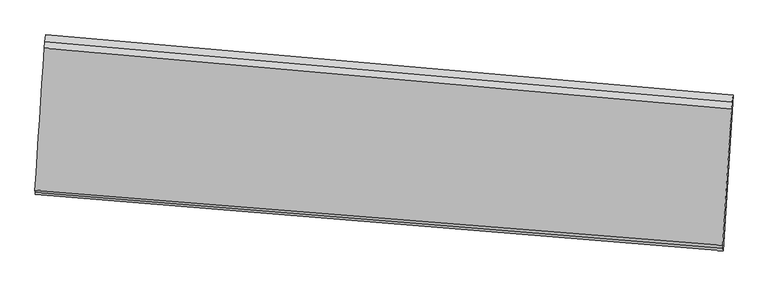
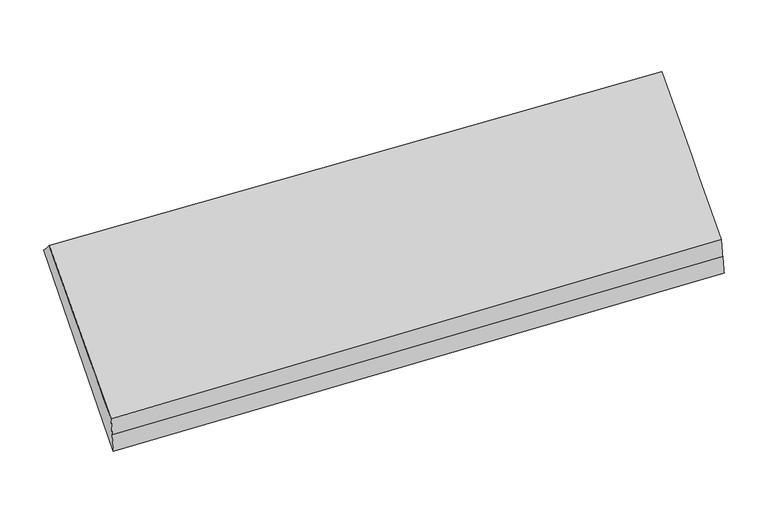
"""IFC4 building model written with IfcOpenShell, lengths in millimetres: proxy geometry."""

from ifc_helpers import new_model, si_unit, frame, origin, place, context, project, spatial, source, transform, mapped, element, save
from ifc_brep_helpers import plane_surface, spline_surface, advanced_brep


def generic_models_1dee735a(model_context):
    return source(origin(), model_context, "Body", "AdvancedBrep", [
        advanced_brep(
        [(-5188.8935418, -739.7581816, 2305.348825), (-5193.7698326, -785.4495582, 2354.1183382), (-462.508957, -1203.3708405, 2443.5528447), (-457.2258446, -1153.8675014, 2390.7145648), (-5259.0257596, -1837.9481643, 1269.45993), (-525.8346904, -2228.2032296, 1377.3266558), (-5260.6712037, -1824.2865534, 1400.4635186), (-527.1270607, -2209.7741181, 1510.5467757), (-5262.3166479, -1810.6249425, 1531.4671072), (-528.419431, -2191.3450066, 1643.7668956), (-5198.6461235, -831.1409347, 2402.8878514), (-467.7920694, -1252.8741795, 2496.3911246)],
        [
            (0, 1),
            (1, 2),
            (2, 3),
            (3, 0),
            (4, 0),
            (3, 5),
            (5, 4),
            (6, 4),
            (5, 7),
            (7, 6),
            (8, 6),
            (7, 9),
            (9, 8),
            (10, 8),
            (9, 11),
            (11, 10),
            (1, 10),
            (11, 2),
        ],
        [
            plane_surface(frame((-5191.3316872, -762.6038699, 2329.7335816), z_axis=(0.05119223174328781, 0.7262456811904102, 0.6855264881544834), x_axis=(-0.07277279664165565, -0.6818890345958571, 0.7278265346680364))),
            plane_surface(frame((-5223.9596507, -1288.8531729, 1787.4043775), z_axis=(0.07280873503206949, 0.6818860164270887, -0.7278257680957896), x_axis=(0.046405450543272386, 0.7266560582396847, 0.6854323505521459))),
            spline_surface(1, 1, [[(-5260.6712037, -1824.2865534, 1400.4635186), (-527.1270607, -2209.7741181, 1510.5467757)], [(-5259.0257596, -1837.9481643, 1269.45993), (-525.8346904, -2228.2032296, 1377.3266558)]], [2, 2], [2, 2], [0.0, 1.0], [0.0, 1.0]),
            spline_surface(1, 1, [[(-5262.3166479, -1810.6249425, 1531.4671072), (-528.419431, -2191.3450066, 1643.7668956)], [(-5260.6712037, -1824.2865534, 1400.4635186), (-527.1270607, -2209.7741181, 1510.5467757)]], [2, 2], [2, 2], [0.0, 1.0], [0.0, 1.0]),
            spline_surface(1, 1, [[(-5198.6461235, -831.1409347, 2402.8878514), (-467.7920694, -1252.8741795, 2496.3911246)], [(-5262.3166479, -1810.6249425, 1531.4671072), (-528.419431, -2191.3450066, 1643.7668956)]], [2, 2], [2, 2], [0.0, 1.0], [0.0, 1.0]),
            plane_surface(frame((-5196.207978, -808.2952464, 2378.5030948), z_axis=(0.05119223174328749, 0.7262456811904068, 0.685526488154487), x_axis=(-0.07277279664165605, -0.6818890345958608, 0.7278265346680329))),
            plane_surface(frame((-494.8180089, -1706.5724793, 1977.0498102), z_axis=(0.9962683645628964, -0.08365594731696403, 0.021237425683767762), x_axis=(0.009609058745746111, -0.13702451862914092, -0.9905210483803326))),
            plane_surface(frame((-5227.2205182, -1304.8680558, 1877.2909284), z_axis=(-0.9962683645628954, 0.08365594731697418, -0.021237425683761156), x_axis=(0.07277279664166053, 0.6818890345958584, -0.7278265346680346))),
        ],
        [
            (0, [[1, 2, 3, 4]]),
            (1, [[5, -4, 6, 7]]),
            (2, [[8, -7, 9, 10]]),
            (3, [[11, -10, 12, 13]]),
            (4, [[14, -13, 15, 16]]),
            (5, [[17, -16, 18, -2]]),
            (6, [[-12, -9, -6, -3, -18, -15]]),
            (7, [[-1, -5, -8, -11, -14, -17]]),
        ],
    ),
    ])


if __name__ == "__main__":
    model = new_model("IFC4")
    model_context = context("Model", 3, world=origin())
    ifc_project = project(units=[si_unit("LENGTHUNIT", "METRE", prefix="MILLI")], contexts=[model_context])
    site = spatial("IfcSite", under=ifc_project)
    building = spatial("IfcBuilding", under=site)
    placement = place(None, origin())
    generic_models_shape = generic_models_1dee735a(model_context)
    element("IfcBuildingElementProxy", 1, Name="Generic Models", at=placement, inside=building, context=model_context, shape_type="MappedRepresentation", body=[
        mapped(generic_models_shape, transform((0.0, 0.0, 0.0), x_axis=(1.0, 0.0, 0.0), y_axis=(0.0, 1.0, 0.0), z_axis=(0.0, 0.0, 1.0))),
    ])
    save(model, "model.ifc")
